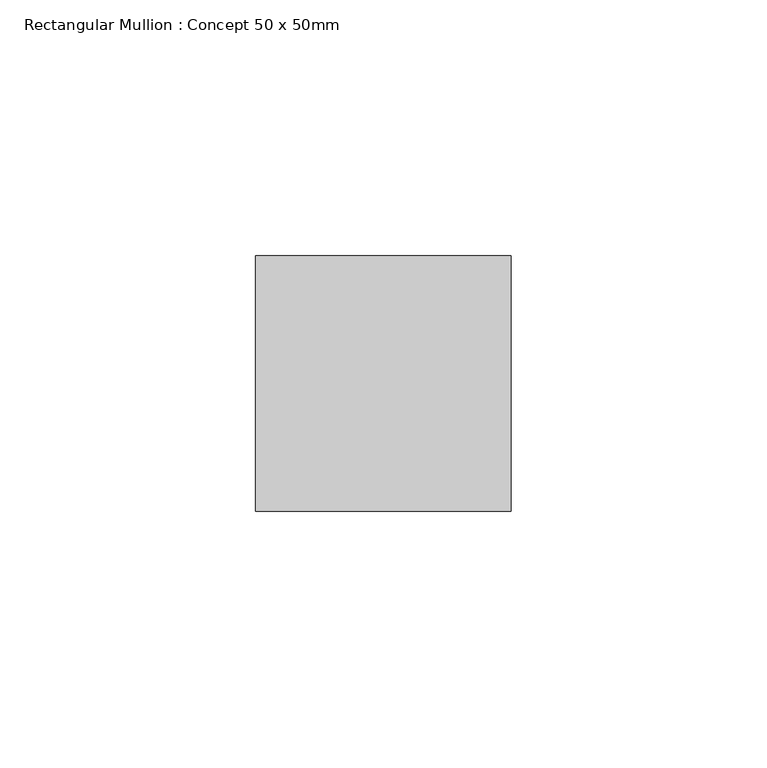
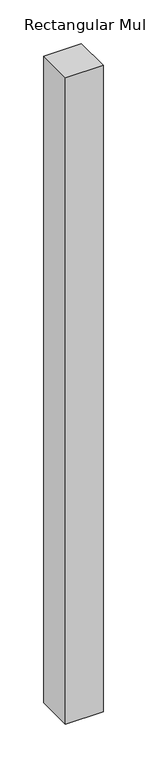
"""IFC4 building model written with IfcOpenShell, lengths in millimetres: member geometry, Rectangular Mullion : Concept 50 x 50mm."""

from ifc_helpers import new_model, si_unit, frame, origin, place, context, project, spatial, polyline, outline, extrude, source, transform, mapped, element, save


def rectangular_mullion_concept_50_x_50mm_a88b031b(model_context):
    return source(origin(), model_context, "Body", "SweptSolid", [
        extrude(outline(polyline([(0.0, 50.0), (0.0, 0.0), (-50.0, 0.0), (-50.0, 50.0), (0.0, 50.0)])), frame((0.0, 0.0, -905.0), z_axis=(0.0, 0.0, 1.0), x_axis=(1.0, 0.0, 0.0)), (0.0, 0.0, 1.0), 905.0),
    ])


if __name__ == "__main__":
    model = new_model("IFC4")
    model_context = context("Model", 3, world=origin())
    ifc_project = project(units=[si_unit("LENGTHUNIT", "METRE", prefix="MILLI")], contexts=[model_context])
    site = spatial("IfcSite", under=ifc_project)
    building = spatial("IfcBuilding", under=site)
    placement = place(None, origin())
    rectangular_mullion_concept_50_x_50mm_shape = rectangular_mullion_concept_50_x_50mm_a88b031b(model_context)
    element("IfcMember", 1, ObjectType="Rectangular Mullion : Concept 50 x 50mm", at=placement, inside=building, context=model_context, shape_type="MappedRepresentation", body=[
        mapped(rectangular_mullion_concept_50_x_50mm_shape, transform((0.0, 0.0, 0.0), x_axis=(1.0, 0.0, 0.0), y_axis=(0.0, 1.0, 0.0), z_axis=(0.0, 0.0, 1.0))),
    ])
    save(model, "model.ifc")
